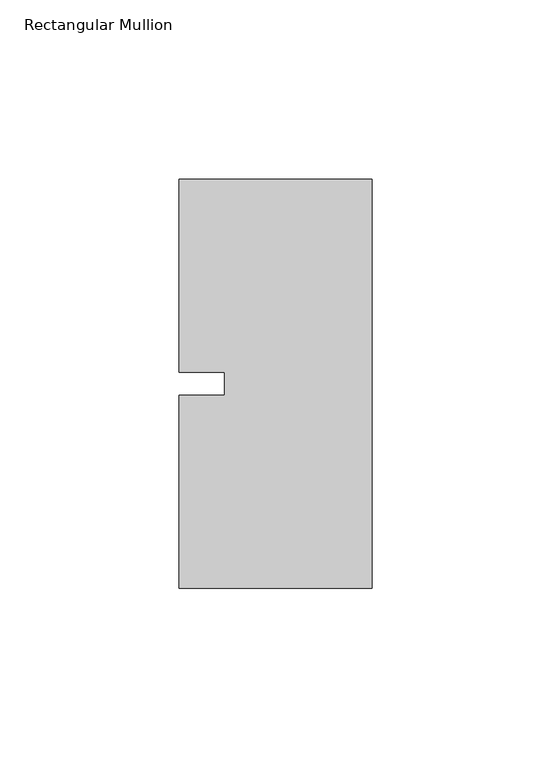
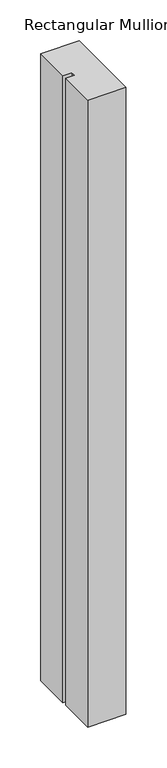
"""IFC4 building model written with IfcOpenShell, lengths in millimetres: member geometry, Rectangular Mullion."""

from ifc_helpers import new_model, si_unit, frame, origin, place, context, project, spatial, polyline, outline, extrude, source, transform, mapped, element, save


def rectangular_mullion_c31169d5(model_context):
    return source(origin(), model_context, "Body", "SweptSolid", [
        extrude(outline(polyline([(-53.975, 57.15), (0.0, 57.15), (0.0, -57.15), (-53.975, -57.15), (-53.975, -3.175), (-41.2732296, -3.175), (-41.2732296, 3.175), (-53.975, 3.175), (-53.975, 57.15)])), frame((0.0, 0.0, -935.4655973), z_axis=(0.0, 0.0, 1.0), x_axis=(1.0, 0.0, 0.0)), (0.0, 0.0, 1.0), 935.4655973),
    ])


if __name__ == "__main__":
    model = new_model("IFC4")
    model_context = context("Model", 3, world=origin())
    ifc_project = project(units=[si_unit("LENGTHUNIT", "METRE", prefix="MILLI")], contexts=[model_context])
    site = spatial("IfcSite", under=ifc_project)
    building = spatial("IfcBuilding", under=site)
    placement = place(None, origin())
    rectangular_mullion_shape = rectangular_mullion_c31169d5(model_context)
    element("IfcMember", 1, ObjectType="Rectangular Mullion", at=placement, inside=building, context=model_context, shape_type="MappedRepresentation", body=[
        mapped(rectangular_mullion_shape, transform((0.0, 0.0, 0.0), x_axis=(1.0, 0.0, 0.0), y_axis=(0.0, 1.0, 0.0), z_axis=(0.0, 0.0, 1.0))),
    ])
    save(model, "model.ifc")
